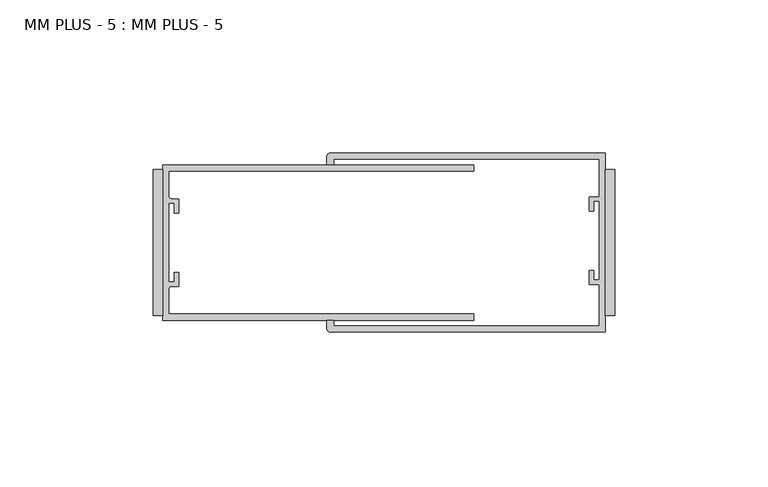
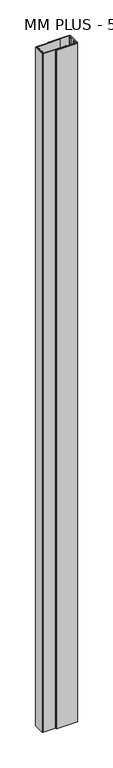
"""IFC4 building model written with IfcOpenShell, lengths in millimetres: proxy geometry, MM PLUS - 5 : MM PLUS - 5."""

from ifc_helpers import new_model, si_unit, point, frame_2d, origin, origin_with_axes, place, context, project, spatial, polyline, circle_curve, trimmed, segment, composite_curve, outline, extrude, source, transform, mapped, element, save


def mm_plus_5_mm_plus_5_b2d52f5c(model_context):
    return source(origin(), model_context, "Body", "SweptSolid", [
        extrude(outline(polyline([(-3.175, 23.8125), (0.0, 23.8125), (0.0, -23.8125), (-3.175, -23.8125), (-3.175, 23.8125)])), origin_with_axes(), (0.0, 0.0, 1.0), 3048.0),
        extrude(outline(polyline([(-150.8125, 23.8125), (-147.6375, 23.8125), (-147.6375, -23.8125), (-150.8125, -23.8125), (-150.8125, 23.8125)])), origin_with_axes(), (0.0, 0.0, 1.0), 3048.0),
        extrude(outline(composite_curve([segment(polyline([(-92.865575, 29.2862), (-3.175, 29.2862), (-3.175, -29.2862), (-92.865575, -29.2862)]), True, "CONTINUOUS"), segment(trimmed(circle_curve(frame_2d((-92.865575, -28.095575)), 1.190625), [point((-92.865575, -29.2862))], [point((-94.0562, -28.095575))], False, "CARTESIAN"), True, "CONTINUOUS"), segment(polyline([(-94.0562, -28.095575), (-94.0562, -25.527), (-91.7597006, -25.527), (-91.7597006, -27.305), (-5.1562, -27.305), (-5.1562, -13.7024149), (-8.3312, -13.7024149), (-8.3312, -9.1355958), (-6.967, -9.1355958), (-6.967, -12.3105958), (-5.189, -12.3105958), (-5.189, 13.495805), (-6.9792436, 13.495805), (-6.9792436, 10.3136087), (-8.3683061, 10.3136087), (-8.3683061, 14.8979851), (-5.1562, 14.8979851), (-5.1562, 27.305), (-91.7597006, 27.305), (-91.7597006, 25.527), (-94.0562, 25.527), (-94.0562, 28.095575)]), True, "CONTINUOUS"), segment(trimmed(circle_curve(frame_2d((-92.865575, 28.095575)), 1.190625), [point((-94.0562, 28.095575))], [point((-92.865575, 29.2862))], False, "CARTESIAN"), True, "CONTINUOUS")], self_intersect=False)), origin_with_axes(), (0.0, 0.0, 1.0), 3048.0),
        extrude(outline(composite_curve([segment(polyline([(-147.6375, -25.4), (-147.6375, 25.4), (-46.0375, 25.4), (-46.0375, 23.4188), (-145.6563, 23.4188), (-145.6563, 15.0569227)]), True, "CONTINUOUS"), segment(trimmed(circle_curve(frame_2d((-144.8943, 15.0569227)), 0.762), [point((-145.6563, 15.0569227))], [point((-144.8943, 14.2949227))], True, "CARTESIAN"), True, "CONTINUOUS"), segment(polyline([(-144.8943, 14.2949227), (-142.4813, 14.2949227), (-142.4813, 9.7229227), (-143.8783, 9.7229227), (-143.8783, 12.8979227), (-145.6563, 12.8979227), (-145.6563, -12.9084773), (-143.8783, -12.9084773), (-143.8783, -9.7334773), (-142.4813, -9.7334773), (-142.4813, -14.3054773), (-144.8943, -14.3054773)]), True, "CONTINUOUS"), segment(trimmed(circle_curve(frame_2d((-144.8943, -15.0674773)), 0.762), [point((-144.8943, -14.3054773))], [point((-145.6563, -15.0674773))], True, "CARTESIAN"), True, "CONTINUOUS"), segment(polyline([(-145.6563, -15.0674773), (-145.6563, -23.4188), (-46.0375, -23.4188), (-46.0375, -25.4), (-147.6375, -25.4)]), True, "CONTINUOUS")], self_intersect=False)), origin_with_axes(), (0.0, 0.0, 1.0), 3048.0),
    ])


if __name__ == "__main__":
    model = new_model("IFC4")
    model_context = context("Model", 3, world=origin())
    ifc_project = project(units=[si_unit("LENGTHUNIT", "METRE", prefix="MILLI")], contexts=[model_context])
    site = spatial("IfcSite", under=ifc_project)
    building = spatial("IfcBuilding", under=site)
    placement = place(None, origin())
    mm_plus_5_mm_plus_5_shape = mm_plus_5_mm_plus_5_b2d52f5c(model_context)
    element("IfcBuildingElementProxy", 1, Name="MM PLUS - 5 : MM PLUS - 5", ObjectType="MM PLUS - 5 : MM PLUS - 5", at=placement, inside=building, context=model_context, shape_type="MappedRepresentation", body=[
        mapped(mm_plus_5_mm_plus_5_shape, transform((0.0, 0.0, 0.0), x_axis=(1.0, 0.0, 0.0), y_axis=(0.0, 1.0, 0.0), z_axis=(0.0, 0.0, 1.0))),
    ])
    save(model, "model.ifc")
